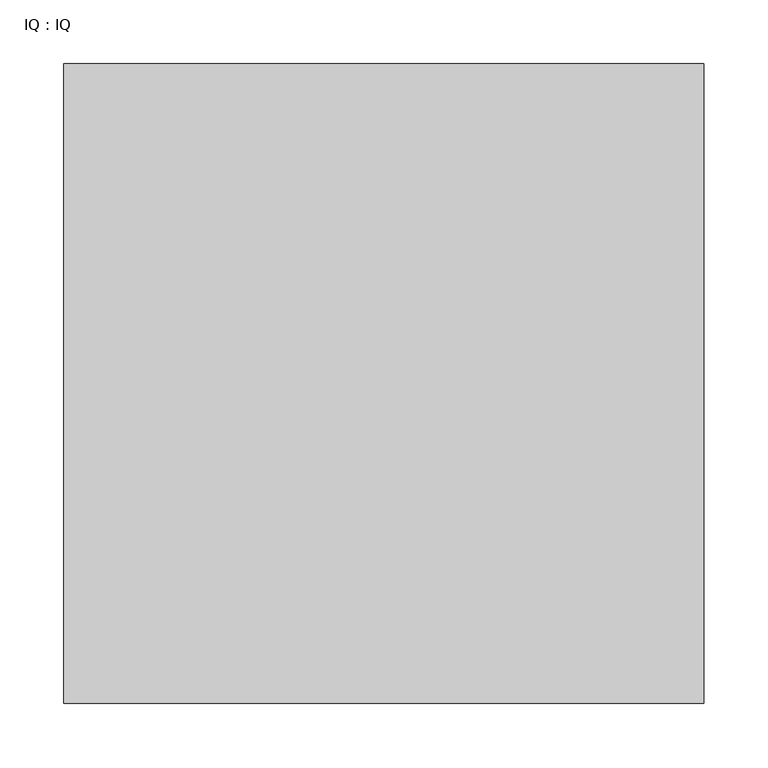
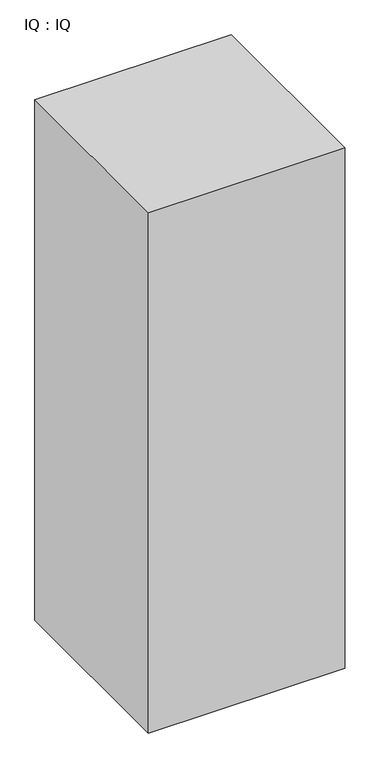
"""IFC4 building model written with IfcOpenShell, lengths in millimetres: proxy geometry, IQ : IQ."""

from ifc_helpers import new_model, si_unit, origin, origin_with_axes, place, context, project, spatial, polyline, outline, extrude, source, transform, mapped, element, save


def iq_iq_520dae65(model_context):
    return source(origin(), model_context, "Body", "SweptSolid", [
        extrude(outline(polyline([(500.0, 500.0), (500.0, 0.0), (0.0, 0.0), (0.0, 500.0), (500.0, 500.0)])), origin_with_axes(), (0.0, 0.0, 1.0), 1400.0),
    ])


if __name__ == "__main__":
    model = new_model("IFC4")
    model_context = context("Model", 3, world=origin())
    ifc_project = project(units=[si_unit("LENGTHUNIT", "METRE", prefix="MILLI")], contexts=[model_context])
    site = spatial("IfcSite", under=ifc_project)
    building = spatial("IfcBuilding", under=site)
    placement = place(None, origin())
    iq_iq_shape = iq_iq_520dae65(model_context)
    element("IfcBuildingElementProxy", 1, Name="IQ : IQ", ObjectType="IQ : IQ", at=placement, inside=building, context=model_context, shape_type="MappedRepresentation", body=[
        mapped(iq_iq_shape, transform((0.0, 0.0, 0.0), x_axis=(1.0, 0.0, 0.0), y_axis=(0.0, 1.0, 0.0), z_axis=(0.0, 0.0, 1.0))),
    ])
    save(model, "model.ifc")
